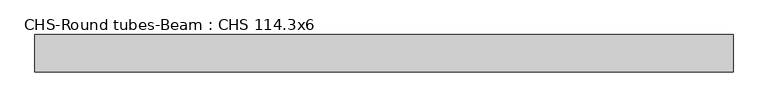
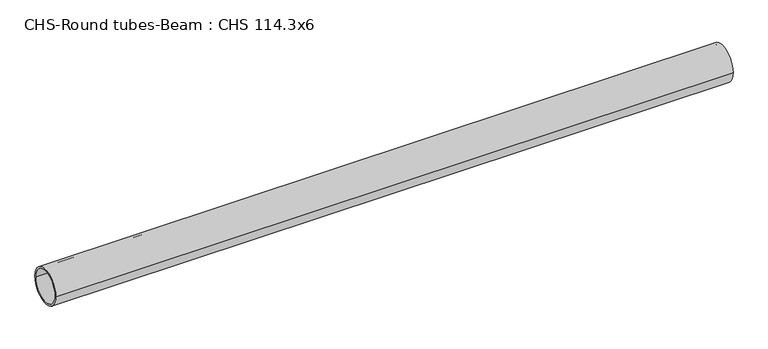
"""IFC4 building model written with IfcOpenShell, lengths in millimetres: beam geometry, CHS-Round tubes-Beam : CHS 114.3x6."""

from ifc_helpers import new_model, si_unit, point, frame, origin, origin_2d, place, context, project, spatial, circle_curve, trimmed, segment, composite_curve, outline, extrude, source, transform, mapped, element, save


def chs_round_tubes_beam_chs_114_3x6_7dbaaa62(model_context):
    return source(origin(), model_context, "Body", "SweptSolid", [
        extrude(outline(composite_curve([segment(trimmed(circle_curve(origin_2d(), 57.15), [point((57.15, 0.0))], [point((-57.15, 0.0))], False, "CARTESIAN"), True, "CONTINUOUS"), segment(trimmed(circle_curve(origin_2d(), 57.15), [point((-57.15, 0.0))], [point((57.15, 0.0))], False, "CARTESIAN"), True, "CONTINUOUS")], self_intersect=False), holes=[composite_curve([segment(trimmed(circle_curve(origin_2d(), 51.15), [point((51.15, 0.0))], [point((-51.15, 0.0))], True, "CARTESIAN"), True, "CONTINUOUS"), segment(trimmed(circle_curve(origin_2d(), 51.15), [point((-51.15, 0.0))], [point((51.15, 0.0))], True, "CARTESIAN"), True, "CONTINUOUS")], self_intersect=False)]), frame((-905.8417186, 0.0, 0.0), z_axis=(1.0, 0.0, 0.0), x_axis=(0.0, 1.0, 0.0)), (0.0, 0.0, 1.0), 2133.4138498),
    ])


if __name__ == "__main__":
    model = new_model("IFC4")
    model_context = context("Model", 3, world=origin())
    ifc_project = project(units=[si_unit("LENGTHUNIT", "METRE", prefix="MILLI")], contexts=[model_context])
    site = spatial("IfcSite", under=ifc_project)
    building = spatial("IfcBuilding", under=site)
    placement = place(None, origin())
    chs_round_tubes_beam_chs_114_3x6_shape = chs_round_tubes_beam_chs_114_3x6_7dbaaa62(model_context)
    element("IfcBeam", 1, ObjectType="CHS-Round tubes-Beam : CHS 114.3x6", at=placement, inside=building, context=model_context, shape_type="MappedRepresentation", body=[
        mapped(chs_round_tubes_beam_chs_114_3x6_shape, transform((0.0, 0.0, 0.0), x_axis=(1.0, 0.0, 0.0), y_axis=(0.0, 1.0, 0.0), z_axis=(0.0, 0.0, 1.0))),
    ])
    save(model, "model.ifc")
